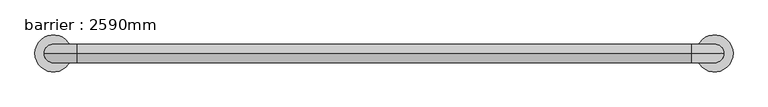
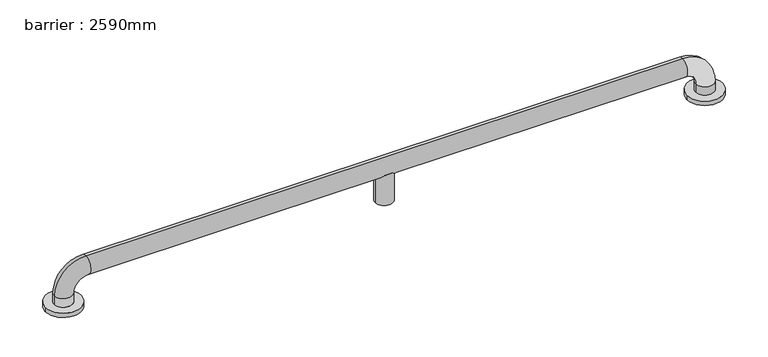
"""IFC4 building model written with IfcOpenShell, lengths in millimetres: geographic element geometry, barrier : 2590mm."""

from ifc_helpers import new_model, si_unit, point, frame, origin, place, context, project, spatial, circle_curve, ellipse_curve, trimmed, source, transform, mapped, element, save
from ifc_brep_helpers import plane_surface, cylinder_surface, revolved_surface, advanced_brep


def barrier_2590mm_4836074b(model_context):
    return source(origin(), model_context, "Body", "AdvancedBrep", [
        advanced_brep(
        [(3.7845364, 0.0, 0.0), (83.7845364, 0.0, 0.0), (1432.1964813, 0.0, 0.0), (1512.1964813, 0.0, 0.0), (63.7845364, 0.0, 30.0), (63.7845364, 0.0, 10.0), (23.7845364, 0.0, 10.0), (23.7845364, 0.0, 30.0), (93.7845364, 0.0, 100.0), (93.7845364, 0.0, 60.0), (1422.1964813, 0.0, 100.0), (1422.1964813, 0.0, 60.0), (777.9905089, 0.0, 60.0), (766.6842201, 18.0116458, 71.3062888), (749.2967977, 18.0116458, 71.3062888), (737.9905089, 0.0, 60.0), (749.2967977, -18.0116458, 71.3062888), (766.6842201, -18.0116458, 71.3062888), (1492.1964813, 0.0, 30.0), (1452.1964813, 0.0, 30.0), (1492.1964813, 0.0, 10.0), (1452.1964813, 0.0, 10.0), (737.9905089, 0.0, 0.0), (777.9905089, 0.0, 0.0), (3.7845364, 0.0, 10.0), (83.7845364, 0.0, 10.0), (1432.1964813, 0.0, 10.0), (1512.1964813, 0.0, 10.0)],
        [
            (0, 1, circle_curve(frame((43.7845364, 0.0, 0.0), z_axis=(0.0, 0.0, -1.0), x_axis=(1.0, 0.0, 0.0)), 40.0)),
            (1, 0, circle_curve(frame((43.7845364, 0.0, 0.0), z_axis=(0.0, 0.0, -1.0), x_axis=(1.0, 0.0, 0.0)), 40.0)),
            (2, 3, circle_curve(frame((1472.1964813, 0.0, 0.0), z_axis=(0.0, 0.0, -1.0), x_axis=(1.0, 0.0, 0.0)), 40.0)),
            (3, 2, circle_curve(frame((1472.1964813, 0.0, 0.0), z_axis=(0.0, 0.0, -1.0), x_axis=(1.0, 0.0, 0.0)), 40.0)),
            (4, 5),
            (5, 6, circle_curve(frame((43.7845364, 0.0, 10.0), z_axis=(0.0, 0.0, 1.0), x_axis=(-1.0, 0.0, 0.0)), 20.0)),
            (6, 7),
            (7, 4, circle_curve(frame((43.7845364, 0.0, 30.0), z_axis=(0.0, 0.0, -1.0), x_axis=(-1.0, 0.0, 0.0)), 20.0)),
            (6, 5, circle_curve(frame((43.7845364, 0.0, 10.0), z_axis=(0.0, 0.0, 1.0), x_axis=(-1.0, 0.0, 0.0)), 20.0)),
            (4, 7, circle_curve(frame((43.7845364, 0.0, 30.0), z_axis=(0.0, 0.0, -1.0), x_axis=(-1.0, 0.0, 0.0)), 20.0)),
            (7, 8, circle_curve(frame((93.7845364, 0.0, 30.0), z_axis=(0.0, 1.0, 0.0), x_axis=(-1.0, 0.0, 0.0)), 70.0)),
            (8, 9, circle_curve(frame((93.7845364, 0.0, 80.0), z_axis=(-1.0, 0.0, 0.0), x_axis=(0.0, 0.0, 1.0)), 20.0)),
            (9, 4, circle_curve(frame((93.7845364, 0.0, 30.0), z_axis=(0.0, -1.0, 0.0), x_axis=(-1.0, 0.0, 0.0)), 30.0)),
            (9, 8, circle_curve(frame((93.7845364, 0.0, 80.0), z_axis=(-1.0, 0.0, 0.0), x_axis=(0.0, 0.0, 1.0)), 20.0)),
            (8, 10),
            (10, 11, circle_curve(frame((1422.1964813, 0.0, 80.0), z_axis=(-1.0, 0.0, 0.0), x_axis=(0.0, 0.0, 1.0)), 20.0)),
            (11, 12),
            (12, 13, ellipse_curve(frame((757.9905089, 0.0, 80.0), z_axis=(0.7071067811865475, 0.0, 0.7071067811865475), x_axis=(-0.7071067811865476, 0.0, 0.7071067811865474)), 28.2842712, 20.0)),
            (13, 14),
            (14, 15, ellipse_curve(frame((757.9905089, 0.0, 80.0), z_axis=(-0.7071067811865475, 0.0, 0.7071067811865475), x_axis=(-0.7071067811865476, 0.0, -0.7071067811865474)), 28.2842712, 20.0)),
            (15, 9),
            (15, 16, ellipse_curve(frame((757.9905089, 0.0, 80.0), z_axis=(-0.7071067811865475, 0.0, 0.7071067811865475), x_axis=(-0.7071067811865476, 0.0, -0.7071067811865474)), 28.2842712, 20.0)),
            (16, 17),
            (17, 12, ellipse_curve(frame((757.9905089, 0.0, 80.0), z_axis=(0.7071067811865475, 0.0, 0.7071067811865475), x_axis=(-0.7071067811865476, 0.0, 0.7071067811865474)), 28.2842712, 20.0)),
            (11, 10, circle_curve(frame((1422.1964813, 0.0, 80.0), z_axis=(-1.0, 0.0, 0.0), x_axis=(0.0, 0.0, 1.0)), 20.0)),
            (10, 18, circle_curve(frame((1422.1964813, 0.0, 30.0), z_axis=(0.0, 1.0, 0.0), x_axis=(0.0, 0.0, 1.0)), 70.0)),
            (18, 19, circle_curve(frame((1472.1964813, 0.0, 30.0), z_axis=(0.0, 0.0, 1.0), x_axis=(1.0, 0.0, 0.0)), 20.0)),
            (19, 11, circle_curve(frame((1422.1964813, 0.0, 30.0), z_axis=(0.0, -1.0, 0.0), x_axis=(0.0, 0.0, 1.0)), 30.0)),
            (19, 18, circle_curve(frame((1472.1964813, 0.0, 30.0), z_axis=(0.0, 0.0, 1.0), x_axis=(1.0, 0.0, 0.0)), 20.0)),
            (18, 20),
            (20, 21, circle_curve(frame((1472.1964813, 0.0, 10.0), z_axis=(0.0, 0.0, 1.0), x_axis=(1.0, 0.0, 0.0)), 20.0)),
            (21, 19),
            (21, 20, circle_curve(frame((1472.1964813, 0.0, 10.0), z_axis=(0.0, 0.0, 1.0), x_axis=(1.0, 0.0, 0.0)), 20.0)),
            (22, 23, circle_curve(frame((757.9905089, 0.0, 0.0), z_axis=(0.0, 0.0, -1.0), x_axis=(1.0, 0.0, 0.0)), 20.0)),
            (23, 22, circle_curve(frame((757.9905089, 0.0, 0.0), z_axis=(0.0, 0.0, -1.0), x_axis=(1.0, 0.0, 0.0)), 20.0)),
            (22, 15),
            (14, 13, circle_curve(frame((757.9905089, 0.0, 71.3062888), z_axis=(0.0, 0.0, -1.0), x_axis=(1.0, 0.0, 0.0)), 20.0)),
            (12, 23),
            (17, 16, circle_curve(frame((757.9905089, 0.0, 71.3062888), z_axis=(0.0, 0.0, -1.0), x_axis=(1.0, 0.0, 0.0)), 20.0)),
            (24, 25, circle_curve(frame((43.7845364, 0.0, 10.0), z_axis=(0.0, 0.0, 1.0), x_axis=(1.0, 0.0, 0.0)), 40.0)),
            (25, 24, circle_curve(frame((43.7845364, 0.0, 10.0), z_axis=(0.0, 0.0, 1.0), x_axis=(1.0, 0.0, 0.0)), 40.0)),
            (26, 27, circle_curve(frame((1472.1964813, 0.0, 10.0), z_axis=(0.0, 0.0, 1.0), x_axis=(1.0, 0.0, 0.0)), 40.0)),
            (27, 26, circle_curve(frame((1472.1964813, 0.0, 10.0), z_axis=(0.0, 0.0, 1.0), x_axis=(1.0, 0.0, 0.0)), 40.0)),
            (25, 1),
            (0, 24),
            (27, 3),
            (2, 26),
        ],
        [
            plane_surface(frame((43.7845364, 20.0, 0.0), z_axis=(0.0, 0.0, -1.0), x_axis=(1.0, 0.0, 0.0))),
            cylinder_surface(frame((43.7845364, 0.0, 0.0), z_axis=(0.0, 0.0, -1.0), x_axis=(-1.0, 0.0, 0.0)), 20.0),
            revolved_surface(trimmed(ellipse_curve(frame((43.7845364, 0.0, 30.0), z_axis=(0.0, 0.0, 1.0), x_axis=(-1.0, 0.0, 0.0)), 20.0, 20.0), [point((63.7845364, 0.0, 30.0))], [point((23.7845364, 0.0, 30.0))], True, "CARTESIAN"), (93.7845364, 0.0, 30.0), (0.0, -1.0, 0.0)),
            revolved_surface(trimmed(ellipse_curve(frame((43.7845364, 0.0, 30.0), z_axis=(0.0, 0.0, 1.0), x_axis=(-1.0, 0.0, 0.0)), 20.0, 20.0), [point((23.7845364, 0.0, 30.0))], [point((63.7845364, 0.0, 30.0))], True, "CARTESIAN"), (93.7845364, 0.0, 30.0), (0.0, -1.0, 0.0)),
            cylinder_surface(frame((93.7845364, 0.0, 80.0), z_axis=(-1.0, 0.0, 0.0), x_axis=(0.0, 0.0, 1.0)), 20.0),
            revolved_surface(trimmed(ellipse_curve(frame((1422.1964813, 0.0, 80.0), z_axis=(1.0, 0.0, 0.0), x_axis=(0.0, 0.0, 1.0)), 20.0, 20.0), [point((1422.1964813, 0.0, 60.0))], [point((1422.1964813, 0.0, 100.0))], True, "CARTESIAN"), (1422.1964813, 0.0, 30.0), (0.0, -1.0, 0.0)),
            revolved_surface(trimmed(ellipse_curve(frame((1422.1964813, 0.0, 80.0), z_axis=(1.0, 0.0, 0.0), x_axis=(0.0, 0.0, 1.0)), 20.0, 20.0), [point((1422.1964813, 0.0, 100.0))], [point((1422.1964813, 0.0, 60.0))], True, "CARTESIAN"), (1422.1964813, 0.0, 30.0), (0.0, -1.0, 0.0)),
            cylinder_surface(frame((1472.1964813, 0.0, 30.0), z_axis=(0.0, 0.0, 1.0), x_axis=(1.0, 0.0, 0.0)), 20.0),
            plane_surface(frame((777.9905089, 0.0, 0.0), z_axis=(0.0, 0.0, -1.0), x_axis=(0.0, 1.0, 0.0))),
            cylinder_surface(frame((757.9905089, 0.0, 0.0), z_axis=(0.0, 0.0, 1.0), x_axis=(1.0, 0.0, 0.0)), 20.0),
            plane_surface(frame((83.7845364, 0.0, 10.0), z_axis=(0.0, 0.0, 1.0), x_axis=(0.0, -1.0, 0.0))),
            cylinder_surface(frame((43.7845364, 0.0, 0.0), z_axis=(0.0, 0.0, 1.0), x_axis=(1.0, 0.0, 0.0)), 40.0),
            cylinder_surface(frame((1472.1964813, 0.0, 0.0), z_axis=(0.0, 0.0, 1.0), x_axis=(1.0, 0.0, 0.0)), 40.0),
            plane_surface(frame((777.9905089, 0.0, 71.3062888), z_axis=(0.0, 0.0, 1.0), x_axis=(0.0, -1.0, 0.0))),
        ],
        [
            (0, [[1, 2]]),
            (0, [[3, 4]]),
            (1, [[5, 6, 7, 8]]),
            (1, [[-7, 9, -5, 10]]),
            (2, [[11, 12, 13, -8]]),
            (3, [[-13, 14, -11, -10]]),
            (4, [[15, 16, 17, 18, 19, 20, 21, -12]]),
            (4, [[-21, 22, 23, 24, -17, 25, -15, -14]]),
            (5, [[26, 27, 28, -16]]),
            (6, [[-28, 29, -26, -25]]),
            (7, [[30, 31, 32, -27]]),
            (7, [[-32, 33, -30, -29]]),
            (8, [[34, 35]]),
            (9, [[36, -20, 37, -18, 38, -34]]),
            (9, [[-38, -24, 39, -22, -36, -35]]),
            (10, [[40, 41], [-9, -6]]),
            (10, [[42, 43], [-33, -31]]),
            (11, [[44, -1, 45, -41]]),
            (11, [[-45, -2, -44, -40]]),
            (12, [[46, -3, 47, -43]]),
            (12, [[-47, -4, -46, -42]]),
            (13, [[-19, -37]]),
            (13, [[-23, -39]]),
        ],
    ),
    ])


if __name__ == "__main__":
    model = new_model("IFC4")
    model_context = context("Model", 3, world=origin())
    ifc_project = project(units=[si_unit("LENGTHUNIT", "METRE", prefix="MILLI")], contexts=[model_context])
    site = spatial("IfcSite", under=ifc_project)
    building = spatial("IfcBuilding", under=site)
    placement = place(None, origin())
    barrier_2590mm_shape = barrier_2590mm_4836074b(model_context)
    element("IfcGeographicElement", 1, ObjectType="barrier : 2590mm", at=placement, inside=building, context=model_context, shape_type="MappedRepresentation", body=[
        mapped(barrier_2590mm_shape, transform((0.0, 0.0, 0.0), x_axis=(1.0, 0.0, 0.0), y_axis=(0.0, 1.0, 0.0), z_axis=(0.0, 0.0, 1.0))),
    ])
    save(model, "model.ifc")
